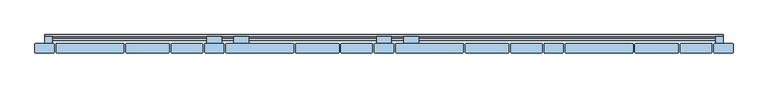
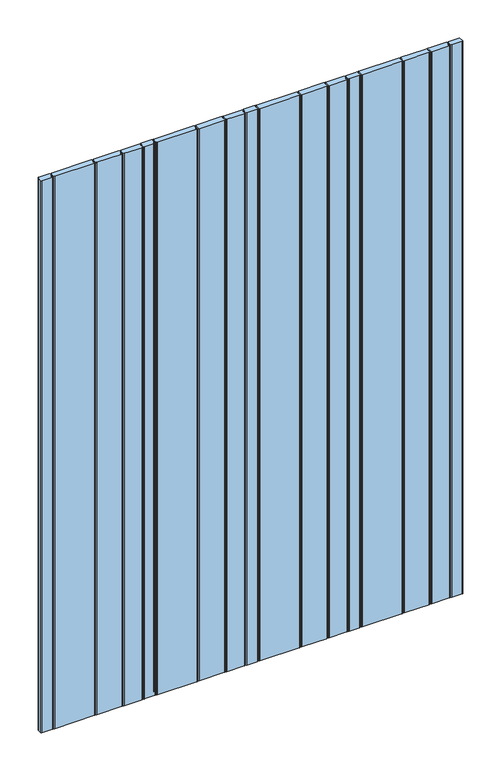
"""IFC4 building model written with IfcOpenShell, lengths in millimetres: window geometry."""

from ifc_helpers import new_model, si_unit, point, frame, frame_2d, origin, place, context, project, spatial, polyline, circle_curve, trimmed, segment, composite_curve, outline, extrude, source, transform, mapped, element, save


def window_69299a8e(model_context):
    return source(origin(), model_context, "Body", "SweptSolid", [
        extrude(outline(polyline([(-112.1, 1677.5936804), (-112.1, 1622.4063196), (-107.9, 1622.4063196), (-107.9, 1626.4063196), (-104.1, 1626.4063196), (-104.1, 1618.5), (-118.0, 1618.5), (-118.0, 1681.5), (-104.1, 1681.5), (-104.1, 1673.5936804), (-107.9, 1673.5936804), (-107.9, 1677.5936804), (-112.1, 1677.5936804)])), frame((-15.5, 0.0, 0.0), z_axis=(1.0, 0.0, 0.0), x_axis=(0.0, 1.0, 0.0)), (0.0, 0.0, 1.0), 31.0),
        extrude(outline(polyline([(-112.1, 1127.5936804), (-112.1, 1072.4063196), (-107.9, 1072.4063196), (-107.9, 1076.4063196), (-104.1, 1076.4063196), (-104.1, 1068.5), (-118.0, 1068.5), (-118.0, 1131.5), (-104.1, 1131.5), (-104.1, 1123.5936804), (-107.9, 1123.5936804), (-107.9, 1127.5936804), (-112.1, 1127.5936804)])), frame((-15.5, 0.0, 0.0), z_axis=(1.0, 0.0, 0.0), x_axis=(0.0, 1.0, 0.0)), (0.0, 0.0, 1.0), 31.0),
        extrude(outline(polyline([(-112.1, 577.5936804), (-112.1, 522.4063196), (-107.9, 522.4063196), (-107.9, 526.4063196), (-104.1, 526.4063196), (-104.1, 518.5), (-118.0, 518.5), (-118.0, 581.5), (-104.1, 581.5), (-104.1, 573.5936804), (-107.9, 573.5936804), (-107.9, 577.5936804), (-112.1, 577.5936804)])), frame((-15.5, 0.0, 0.0), z_axis=(1.0, 0.0, 0.0), x_axis=(0.0, 1.0, 0.0)), (0.0, 0.0, 1.0), 31.0),
        extrude(outline(polyline([(-112.1, 2022.9063196), (-107.9, 2022.9063196), (-107.9, 2026.9063196), (-104.1, 2026.9063196), (-104.1, 2019.0), (-118.0, 2019.0), (-118.0, 2082.0), (-104.1, 2082.0), (-104.1, 2074.0936804), (-107.9, 2074.0936804), (-107.9, 2078.0936804), (-112.1, 2078.0936804), (-112.1, 2022.9063196)])), frame((-15.5, 0.0, 0.0), z_axis=(1.0, 0.0, 0.0), x_axis=(0.0, 1.0, 0.0)), (0.0, 0.0, 1.0), 31.0),
        extrude(outline(polyline([(-112.1, 177.0936804), (-112.1, 121.9063196), (-107.9, 121.9063196), (-107.9, 125.9063196), (-104.1, 125.9063196), (-104.1, 118.0), (-118.0, 118.0), (-118.0, 181.0), (-104.1, 181.0), (-104.1, 173.0936804), (-107.9, 173.0936804), (-107.9, 177.0936804), (-112.1, 177.0936804)])), frame((-15.5, 0.0, 0.0), z_axis=(1.0, 0.0, 0.0), x_axis=(0.0, 1.0, 0.0)), (0.0, 0.0, 1.0), 31.0),
        extrude(outline(polyline([(-112.1, 1677.5936804), (-112.1, 1622.4063196), (-107.9, 1622.4063196), (-107.9, 1626.4063196), (-104.1, 1626.4063196), (-104.1, 1618.5), (-118.0, 1618.5), (-118.0, 1681.5), (-104.1, 1681.5), (-104.1, 1673.5936804), (-107.9, 1673.5936804), (-107.9, 1677.5936804), (-112.1, 1677.5936804)])), frame((-366.5, 0.0, 0.0), z_axis=(1.0, 0.0, 0.0), x_axis=(0.0, 1.0, 0.0)), (0.0, 0.0, 1.0), 31.0),
        extrude(outline(polyline([(-112.1, 1127.5936804), (-112.1, 1072.4063196), (-107.9, 1072.4063196), (-107.9, 1076.4063196), (-104.1, 1076.4063196), (-104.1, 1068.5), (-118.0, 1068.5), (-118.0, 1131.5), (-104.1, 1131.5), (-104.1, 1123.5936804), (-107.9, 1123.5936804), (-107.9, 1127.5936804), (-112.1, 1127.5936804)])), frame((-366.5, 0.0, 0.0), z_axis=(1.0, 0.0, 0.0), x_axis=(0.0, 1.0, 0.0)), (0.0, 0.0, 1.0), 31.0),
        extrude(outline(polyline([(-112.1, 577.5936804), (-112.1, 522.4063196), (-107.9, 522.4063196), (-107.9, 526.4063196), (-104.1, 526.4063196), (-104.1, 518.5), (-118.0, 518.5), (-118.0, 581.5), (-104.1, 581.5), (-104.1, 573.5936804), (-107.9, 573.5936804), (-107.9, 577.5936804), (-112.1, 577.5936804)])), frame((-366.5, 0.0, 0.0), z_axis=(1.0, 0.0, 0.0), x_axis=(0.0, 1.0, 0.0)), (0.0, 0.0, 1.0), 31.0),
        extrude(outline(polyline([(-112.1, 2022.9063196), (-107.9, 2022.9063196), (-107.9, 2026.9063196), (-104.1, 2026.9063196), (-104.1, 2019.0), (-118.0, 2019.0), (-118.0, 2082.0), (-104.1, 2082.0), (-104.1, 2074.0936804), (-107.9, 2074.0936804), (-107.9, 2078.0936804), (-112.1, 2078.0936804), (-112.1, 2022.9063196)])), frame((-366.5, 0.0, 0.0), z_axis=(1.0, 0.0, 0.0), x_axis=(0.0, 1.0, 0.0)), (0.0, 0.0, 1.0), 31.0),
        extrude(outline(polyline([(-112.1, 177.0936804), (-112.1, 121.9063196), (-107.9, 121.9063196), (-107.9, 125.9063196), (-104.1, 125.9063196), (-104.1, 118.0), (-118.0, 118.0), (-118.0, 181.0), (-104.1, 181.0), (-104.1, 173.0936804), (-107.9, 173.0936804), (-107.9, 177.0936804), (-112.1, 177.0936804)])), frame((-366.5, 0.0, 0.0), z_axis=(1.0, 0.0, 0.0), x_axis=(0.0, 1.0, 0.0)), (0.0, 0.0, 1.0), 31.0),
        extrude(outline(polyline([(-112.1, 1677.5936804), (-112.1, 1622.4063196), (-107.9, 1622.4063196), (-107.9, 1626.4063196), (-104.1, 1626.4063196), (-104.1, 1618.5), (-118.0, 1618.5), (-118.0, 1681.5), (-104.1, 1681.5), (-104.1, 1673.5936804), (-107.9, 1673.5936804), (-107.9, 1677.5936804), (-112.1, 1677.5936804)])), frame((40.5, 0.0, 0.0), z_axis=(1.0, 0.0, 0.0), x_axis=(0.0, 1.0, 0.0)), (0.0, 0.0, 1.0), 31.0),
        extrude(outline(polyline([(-112.1, 1127.5936804), (-112.1, 1072.4063196), (-107.9, 1072.4063196), (-107.9, 1076.4063196), (-104.1, 1076.4063196), (-104.1, 1068.5), (-118.0, 1068.5), (-118.0, 1131.5), (-104.1, 1131.5), (-104.1, 1123.5936804), (-107.9, 1123.5936804), (-107.9, 1127.5936804), (-112.1, 1127.5936804)])), frame((40.5, 0.0, 0.0), z_axis=(1.0, 0.0, 0.0), x_axis=(0.0, 1.0, 0.0)), (0.0, 0.0, 1.0), 31.0),
        extrude(outline(polyline([(-112.1, 577.5936804), (-112.1, 522.4063196), (-107.9, 522.4063196), (-107.9, 526.4063196), (-104.1, 526.4063196), (-104.1, 518.5), (-118.0, 518.5), (-118.0, 581.5), (-104.1, 581.5), (-104.1, 573.5936804), (-107.9, 573.5936804), (-107.9, 577.5936804), (-112.1, 577.5936804)])), frame((40.5, 0.0, 0.0), z_axis=(1.0, 0.0, 0.0), x_axis=(0.0, 1.0, 0.0)), (0.0, 0.0, 1.0), 31.0),
        extrude(outline(polyline([(-112.1, 2022.9063196), (-107.9, 2022.9063196), (-107.9, 2026.9063196), (-104.1, 2026.9063196), (-104.1, 2019.0), (-118.0, 2019.0), (-118.0, 2082.0), (-104.1, 2082.0), (-104.1, 2074.0936804), (-107.9, 2074.0936804), (-107.9, 2078.0936804), (-112.1, 2078.0936804), (-112.1, 2022.9063196)])), frame((40.5, 0.0, 0.0), z_axis=(1.0, 0.0, 0.0), x_axis=(0.0, 1.0, 0.0)), (0.0, 0.0, 1.0), 31.0),
        extrude(outline(polyline([(-112.1, 177.0936804), (-112.1, 121.9063196), (-107.9, 121.9063196), (-107.9, 125.9063196), (-104.1, 125.9063196), (-104.1, 118.0), (-118.0, 118.0), (-118.0, 181.0), (-104.1, 181.0), (-104.1, 173.0936804), (-107.9, 173.0936804), (-107.9, 177.0936804), (-112.1, 177.0936804)])), frame((40.5, 0.0, 0.0), z_axis=(1.0, 0.0, 0.0), x_axis=(0.0, 1.0, 0.0)), (0.0, 0.0, 1.0), 31.0),
        extrude(outline(polyline([(-112.1, 1677.5936804), (-112.1, 1622.4063196), (-107.9, 1622.4063196), (-107.9, 1626.4063196), (-104.1, 1626.4063196), (-104.1, 1618.5), (-118.0, 1618.5), (-118.0, 1681.5), (-104.1, 1681.5), (-104.1, 1673.5936804), (-107.9, 1673.5936804), (-107.9, 1677.5936804), (-112.1, 1677.5936804)])), frame((-310.5, 0.0, 0.0), z_axis=(1.0, 0.0, 0.0), x_axis=(0.0, 1.0, 0.0)), (0.0, 0.0, 1.0), 31.0),
        extrude(outline(polyline([(-112.1, 1127.5936804), (-112.1, 1072.4063196), (-107.9, 1072.4063196), (-107.9, 1076.4063196), (-104.1, 1076.4063196), (-104.1, 1068.5), (-118.0, 1068.5), (-118.0, 1131.5), (-104.1, 1131.5), (-104.1, 1123.5936804), (-107.9, 1123.5936804), (-107.9, 1127.5936804), (-112.1, 1127.5936804)])), frame((-310.5, 0.0, 0.0), z_axis=(1.0, 0.0, 0.0), x_axis=(0.0, 1.0, 0.0)), (0.0, 0.0, 1.0), 31.0),
        extrude(outline(polyline([(-112.1, 577.5936804), (-112.1, 522.4063196), (-107.9, 522.4063196), (-107.9, 526.4063196), (-104.1, 526.4063196), (-104.1, 518.5), (-118.0, 518.5), (-118.0, 581.5), (-104.1, 581.5), (-104.1, 573.5936804), (-107.9, 573.5936804), (-107.9, 577.5936804), (-112.1, 577.5936804)])), frame((-310.5, 0.0, 0.0), z_axis=(1.0, 0.0, 0.0), x_axis=(0.0, 1.0, 0.0)), (0.0, 0.0, 1.0), 31.0),
        extrude(outline(polyline([(-112.1, 2022.9063196), (-107.9, 2022.9063196), (-107.9, 2026.9063196), (-104.1, 2026.9063196), (-104.1, 2019.0), (-118.0, 2019.0), (-118.0, 2082.0), (-104.1, 2082.0), (-104.1, 2074.0936804), (-107.9, 2074.0936804), (-107.9, 2078.0936804), (-112.1, 2078.0936804), (-112.1, 2022.9063196)])), frame((-310.5, 0.0, 0.0), z_axis=(1.0, 0.0, 0.0), x_axis=(0.0, 1.0, 0.0)), (0.0, 0.0, 1.0), 31.0),
        extrude(outline(polyline([(-112.1, 177.0936804), (-112.1, 121.9063196), (-107.9, 121.9063196), (-107.9, 125.9063196), (-104.1, 125.9063196), (-104.1, 118.0), (-118.0, 118.0), (-118.0, 181.0), (-104.1, 181.0), (-104.1, 173.0936804), (-107.9, 173.0936804), (-107.9, 177.0936804), (-112.1, 177.0936804)])), frame((-310.5, 0.0, 0.0), z_axis=(1.0, 0.0, 0.0), x_axis=(0.0, 1.0, 0.0)), (0.0, 0.0, 1.0), 31.0),
        extrude(outline(polyline([(-112.1, 1622.4063196), (-107.9, 1622.4063196), (-107.9, 1626.4063196), (-104.1, 1626.4063196), (-104.1, 1618.5), (-118.0, 1618.5), (-118.0, 1681.5), (-104.1, 1681.5), (-104.1, 1673.5936804), (-107.9, 1673.5936804), (-107.9, 1677.5936804), (-112.1, 1677.5936804), (-112.1, 1622.4063196)])), frame((686.5, 0.0, 0.0), z_axis=(1.0, 0.0, 0.0), x_axis=(0.0, 1.0, 0.0)), (0.0, 0.0, 1.0), 15.5),
        extrude(outline(polyline([(-112.1, 1072.4063196), (-107.9, 1072.4063196), (-107.9, 1076.4063196), (-104.1, 1076.4063196), (-104.1, 1068.5), (-118.0, 1068.5), (-118.0, 1131.5), (-104.1, 1131.5), (-104.1, 1123.5936804), (-107.9, 1123.5936804), (-107.9, 1127.5936804), (-112.1, 1127.5936804), (-112.1, 1072.4063196)])), frame((686.5, 0.0, 0.0), z_axis=(1.0, 0.0, 0.0), x_axis=(0.0, 1.0, 0.0)), (0.0, 0.0, 1.0), 15.5),
        extrude(outline(polyline([(-112.1, 522.4063196), (-107.9, 522.4063196), (-107.9, 526.4063196), (-104.1, 526.4063196), (-104.1, 518.5), (-118.0, 518.5), (-118.0, 581.5), (-104.1, 581.5), (-104.1, 573.5936804), (-107.9, 573.5936804), (-107.9, 577.5936804), (-112.1, 577.5936804), (-112.1, 522.4063196)])), frame((686.5, 0.0, 0.0), z_axis=(1.0, 0.0, 0.0), x_axis=(0.0, 1.0, 0.0)), (0.0, 0.0, 1.0), 15.5),
        extrude(outline(polyline([(-112.1, 2022.9063196), (-107.9, 2022.9063196), (-107.9, 2026.9063196), (-104.1, 2026.9063196), (-104.1, 2019.0), (-118.0, 2019.0), (-118.0, 2082.0), (-104.1, 2082.0), (-104.1, 2074.0936804), (-107.9, 2074.0936804), (-107.9, 2078.0936804), (-112.1, 2078.0936804), (-112.1, 2022.9063196)])), frame((686.5, 0.0, 0.0), z_axis=(1.0, 0.0, 0.0), x_axis=(0.0, 1.0, 0.0)), (0.0, 0.0, 1.0), 15.5),
        extrude(outline(polyline([(-112.1, 177.0936804), (-112.1, 121.9063196), (-107.9, 121.9063196), (-107.9, 125.9063196), (-104.1, 125.9063196), (-104.1, 118.0), (-118.0, 118.0), (-118.0, 181.0), (-104.1, 181.0), (-104.1, 173.0936804), (-107.9, 173.0936804), (-107.9, 177.0936804), (-112.1, 177.0936804)])), frame((686.5, 0.0, 0.0), z_axis=(1.0, 0.0, 0.0), x_axis=(0.0, 1.0, 0.0)), (0.0, 0.0, 1.0), 15.5),
        extrude(outline(polyline([(-112.1, 1622.4063196), (-107.9, 1622.4063196), (-107.9, 1626.4063196), (-104.1, 1626.4063196), (-104.1, 1618.5), (-118.0, 1618.5), (-118.0, 1681.5), (-104.1, 1681.5), (-104.1, 1673.5936804), (-107.9, 1673.5936804), (-107.9, 1677.5936804), (-112.1, 1677.5936804), (-112.1, 1622.4063196)])), frame((-702.0, 0.0, 0.0), z_axis=(1.0, 0.0, 0.0), x_axis=(0.0, 1.0, 0.0)), (0.0, 0.0, 1.0), 15.5),
        extrude(outline(polyline([(-112.1, 1072.4063196), (-107.9, 1072.4063196), (-107.9, 1076.4063196), (-104.1, 1076.4063196), (-104.1, 1068.5), (-118.0, 1068.5), (-118.0, 1131.5), (-104.1, 1131.5), (-104.1, 1123.5936804), (-107.9, 1123.5936804), (-107.9, 1127.5936804), (-112.1, 1127.5936804), (-112.1, 1072.4063196)])), frame((-702.0, 0.0, 0.0), z_axis=(1.0, 0.0, 0.0), x_axis=(0.0, 1.0, 0.0)), (0.0, 0.0, 1.0), 15.5),
        extrude(outline(polyline([(-112.1, 522.4063196), (-107.9, 522.4063196), (-107.9, 526.4063196), (-104.1, 526.4063196), (-104.1, 518.5), (-118.0, 518.5), (-118.0, 581.5), (-104.1, 581.5), (-104.1, 573.5936804), (-107.9, 573.5936804), (-107.9, 577.5936804), (-112.1, 577.5936804), (-112.1, 522.4063196)])), frame((-702.0, 0.0, 0.0), z_axis=(1.0, 0.0, 0.0), x_axis=(0.0, 1.0, 0.0)), (0.0, 0.0, 1.0), 15.5),
        extrude(outline(polyline([(-112.1, 2022.9063196), (-107.9, 2022.9063196), (-107.9, 2026.9063196), (-104.1, 2026.9063196), (-104.1, 2019.0), (-118.0, 2019.0), (-118.0, 2082.0), (-104.1, 2082.0), (-104.1, 2074.0936804), (-107.9, 2074.0936804), (-107.9, 2078.0936804), (-112.1, 2078.0936804), (-112.1, 2022.9063196)])), frame((-702.0, 0.0, 0.0), z_axis=(1.0, 0.0, 0.0), x_axis=(0.0, 1.0, 0.0)), (0.0, 0.0, 1.0), 15.5),
        extrude(outline(polyline([(-112.1, 177.0936804), (-112.1, 121.9063196), (-107.9, 121.9063196), (-107.9, 125.9063196), (-104.1, 125.9063196), (-104.1, 118.0), (-118.0, 118.0), (-118.0, 181.0), (-104.1, 181.0), (-104.1, 173.0936804), (-107.9, 173.0936804), (-107.9, 177.0936804), (-112.1, 177.0936804)])), frame((-702.0, 0.0, 0.0), z_axis=(1.0, 0.0, 0.0), x_axis=(0.0, 1.0, 0.0)), (0.0, 0.0, 1.0), 15.5),
        extrude(outline(polyline([(-100.0, 1677.5063196), (-100.0, 1622.5063196), (-104.0, 1622.5063196), (-104.0, 1626.5063196), (-108.0, 1626.5063196), (-108.0, 1622.5063196), (-112.0, 1622.5063196), (-112.0, 1627.5063196), (-109.0, 1627.5063196), (-109.0, 1632.5063196), (-112.0, 1632.5063196), (-112.0, 1645.0063196), (-109.0, 1645.0063196), (-109.0, 1655.0063196), (-112.0, 1655.0063196), (-112.0, 1667.5063196), (-109.0, 1667.5063196), (-109.0, 1672.5063196), (-112.0, 1672.5063196), (-112.0, 1677.5063196), (-108.0, 1677.5063196), (-108.0, 1673.5063196), (-104.0, 1673.5063196), (-104.0, 1677.5063196), (-100.0, 1677.5063196)])), frame((-702.0, 0.0, 0.0), z_axis=(1.0, 0.0, 0.0), x_axis=(0.0, 1.0, 0.0)), (0.0, 0.0, 1.0), 1404.0),
        extrude(outline(polyline([(-100.0, 1127.5063196), (-100.0, 1072.5063196), (-104.0, 1072.5063196), (-104.0, 1076.5063196), (-108.0, 1076.5063196), (-108.0, 1072.5063196), (-112.0, 1072.5063196), (-112.0, 1077.5063196), (-109.0, 1077.5063196), (-109.0, 1082.5063196), (-112.0, 1082.5063196), (-112.0, 1095.0063196), (-109.0, 1095.0063196), (-109.0, 1105.0063196), (-112.0, 1105.0063196), (-112.0, 1117.5063196), (-109.0, 1117.5063196), (-109.0, 1122.5063196), (-112.0, 1122.5063196), (-112.0, 1127.5063196), (-108.0, 1127.5063196), (-108.0, 1123.5063196), (-104.0, 1123.5063196), (-104.0, 1127.5063196), (-100.0, 1127.5063196)])), frame((-702.0, 0.0, 0.0), z_axis=(1.0, 0.0, 0.0), x_axis=(0.0, 1.0, 0.0)), (0.0, 0.0, 1.0), 1404.0),
        extrude(outline(polyline([(-100.0, 577.5063196), (-100.0, 522.5063196), (-104.0, 522.5063196), (-104.0, 526.5063196), (-108.0, 526.5063196), (-108.0, 522.5063196), (-112.0, 522.5063196), (-112.0, 527.5063196), (-109.0, 527.5063196), (-109.0, 532.5063196), (-112.0, 532.5063196), (-112.0, 545.0063196), (-109.0, 545.0063196), (-109.0, 555.0063196), (-112.0, 555.0063196), (-112.0, 567.5063196), (-109.0, 567.5063196), (-109.0, 572.5063196), (-112.0, 572.5063196), (-112.0, 577.5063196), (-108.0, 577.5063196), (-108.0, 573.5063196), (-104.0, 573.5063196), (-104.0, 577.5063196), (-100.0, 577.5063196)])), frame((-702.0, 0.0, 0.0), z_axis=(1.0, 0.0, 0.0), x_axis=(0.0, 1.0, 0.0)), (0.0, 0.0, 1.0), 1404.0),
        extrude(outline(polyline([(-100.0, 2078.0), (-100.0, 2023.0), (-104.0, 2023.0), (-104.0, 2027.0), (-108.0, 2027.0), (-108.0, 2023.0), (-112.0, 2023.0), (-112.0, 2028.0), (-109.0, 2028.0), (-109.0, 2033.0), (-112.0, 2033.0), (-112.0, 2045.5), (-109.0, 2045.5), (-109.0, 2055.5), (-112.0, 2055.5), (-112.0, 2068.0), (-109.0, 2068.0), (-109.0, 2073.0), (-112.0, 2073.0), (-112.0, 2078.0), (-108.0, 2078.0), (-108.0, 2074.0), (-104.0, 2074.0), (-104.0, 2078.0), (-100.0, 2078.0)])), frame((-702.0, 0.0, 0.0), z_axis=(1.0, 0.0, 0.0), x_axis=(0.0, 1.0, 0.0)), (0.0, 0.0, 1.0), 1404.0),
        extrude(outline(polyline([(-100.0, 177.0), (-100.0, 122.0), (-104.0, 122.0), (-104.0, 126.0), (-108.0, 126.0), (-108.0, 122.0), (-112.0, 122.0), (-112.0, 127.0), (-109.0, 127.0), (-109.0, 132.0), (-112.0, 132.0), (-112.0, 144.5), (-109.0, 144.5), (-109.0, 154.5), (-112.0, 154.5), (-112.0, 167.0), (-109.0, 167.0), (-109.0, 172.0), (-112.0, 172.0), (-112.0, 177.0), (-108.0, 177.0), (-108.0, 173.0), (-104.0, 173.0), (-104.0, 177.0), (-100.0, 177.0)])), frame((-702.0, 0.0, 0.0), z_axis=(1.0, 0.0, 0.0), x_axis=(0.0, 1.0, 0.0)), (0.0, 0.0, 1.0), 1404.0),
        extrude(outline(composite_curve([segment(trimmed(circle_curve(frame_2d((333.0, -120.0)), 2.0), [point((331.0, -120.0))], [point((333.0, -118.0))], False, "CARTESIAN"), True, "CONTINUOUS"), segment(polyline([(333.0, -118.0), (369.0, -118.0)]), True, "CONTINUOUS"), segment(trimmed(circle_curve(frame_2d((369.0, -120.0)), 2.0), [point((369.0, -118.0))], [point((371.0, -120.0))], False, "CARTESIAN"), True, "CONTINUOUS"), segment(polyline([(371.0, -120.0), (371.0, -136.0)]), True, "CONTINUOUS"), segment(trimmed(circle_curve(frame_2d((369.0, -136.0)), 2.0), [point((371.0, -136.0))], [point((369.0, -138.0))], False, "CARTESIAN"), True, "CONTINUOUS"), segment(polyline([(369.0, -138.0), (333.0, -138.0)]), True, "CONTINUOUS"), segment(trimmed(circle_curve(frame_2d((333.0, -136.0)), 2.0), [point((333.0, -138.0))], [point((331.0, -136.0))], False, "CARTESIAN"), True, "CONTINUOUS"), segment(polyline([(331.0, -136.0), (331.0, -120.0)]), True, "CONTINUOUS")], self_intersect=False)), frame((0.0, 0.0, 100.0), z_axis=(0.0, 0.0, 1.0), x_axis=(1.0, 0.0, 0.0)), (0.0, 0.0, 1.0), 2000.0),
        extrude(outline(composite_curve([segment(trimmed(circle_curve(frame_2d((377.0, -120.0)), 2.0), [point((375.0, -120.0))], [point((377.0, -118.0))], False, "CARTESIAN"), True, "CONTINUOUS"), segment(polyline([(377.0, -118.0), (513.0, -118.0)]), True, "CONTINUOUS"), segment(trimmed(circle_curve(frame_2d((513.0, -120.0)), 2.0), [point((513.0, -118.0))], [point((515.0, -120.0))], False, "CARTESIAN"), True, "CONTINUOUS"), segment(polyline([(515.0, -120.0), (515.0, -136.0)]), True, "CONTINUOUS"), segment(trimmed(circle_curve(frame_2d((513.0, -136.0)), 2.0), [point((515.0, -136.0))], [point((513.0, -138.0))], False, "CARTESIAN"), True, "CONTINUOUS"), segment(polyline([(513.0, -138.0), (377.0, -138.0)]), True, "CONTINUOUS"), segment(trimmed(circle_curve(frame_2d((377.0, -136.0)), 2.0), [point((377.0, -138.0))], [point((375.0, -136.0))], False, "CARTESIAN"), True, "CONTINUOUS"), segment(polyline([(375.0, -136.0), (375.0, -120.0)]), True, "CONTINUOUS")], self_intersect=False)), frame((0.0, 0.0, 100.0), z_axis=(0.0, 0.0, 1.0), x_axis=(1.0, 0.0, 0.0)), (0.0, 0.0, 1.0), 2000.0),
        extrude(outline(composite_curve([segment(trimmed(circle_curve(frame_2d((521.0, -120.0)), 2.0), [point((519.0, -120.0))], [point((521.0, -118.0))], False, "CARTESIAN"), True, "CONTINUOUS"), segment(polyline([(521.0, -118.0), (607.0, -118.0)]), True, "CONTINUOUS"), segment(trimmed(circle_curve(frame_2d((607.0, -120.0)), 2.0), [point((607.0, -118.0))], [point((609.0, -120.0))], False, "CARTESIAN"), True, "CONTINUOUS"), segment(polyline([(609.0, -120.0), (609.0, -136.0)]), True, "CONTINUOUS"), segment(trimmed(circle_curve(frame_2d((607.0, -136.0)), 2.0), [point((609.0, -136.0))], [point((607.0, -138.0))], False, "CARTESIAN"), True, "CONTINUOUS"), segment(polyline([(607.0, -138.0), (521.0, -138.0)]), True, "CONTINUOUS"), segment(trimmed(circle_curve(frame_2d((521.0, -136.0)), 2.0), [point((521.0, -138.0))], [point((519.0, -136.0))], False, "CARTESIAN"), True, "CONTINUOUS"), segment(polyline([(519.0, -136.0), (519.0, -120.0)]), True, "CONTINUOUS")], self_intersect=False)), frame((0.0, 0.0, 100.0), z_axis=(0.0, 0.0, 1.0), x_axis=(1.0, 0.0, 0.0)), (0.0, 0.0, 1.0), 2000.0),
        extrude(outline(composite_curve([segment(trimmed(circle_curve(frame_2d((615.0, -120.0)), 2.0), [point((613.0, -120.0))], [point((615.0, -118.0))], False, "CARTESIAN"), True, "CONTINUOUS"), segment(polyline([(615.0, -118.0), (676.0, -118.0)]), True, "CONTINUOUS"), segment(trimmed(circle_curve(frame_2d((676.0, -120.0)), 2.0), [point((676.0, -118.0))], [point((678.0, -120.0))], False, "CARTESIAN"), True, "CONTINUOUS"), segment(polyline([(678.0, -120.0), (678.0, -136.0)]), True, "CONTINUOUS"), segment(trimmed(circle_curve(frame_2d((676.0, -136.0)), 2.0), [point((678.0, -136.0))], [point((676.0, -138.0))], False, "CARTESIAN"), True, "CONTINUOUS"), segment(polyline([(676.0, -138.0), (615.0, -138.0)]), True, "CONTINUOUS"), segment(trimmed(circle_curve(frame_2d((615.0, -136.0)), 2.0), [point((615.0, -138.0))], [point((613.0, -136.0))], False, "CARTESIAN"), True, "CONTINUOUS"), segment(polyline([(613.0, -136.0), (613.0, -120.0)]), True, "CONTINUOUS")], self_intersect=False)), frame((0.0, 0.0, 100.0), z_axis=(0.0, 0.0, 1.0), x_axis=(1.0, 0.0, 0.0)), (0.0, 0.0, 1.0), 2000.0),
        extrude(outline(composite_curve([segment(trimmed(circle_curve(frame_2d((-18.0, -120.0)), 2.0), [point((-20.0, -120.0))], [point((-18.0, -118.0))], False, "CARTESIAN"), True, "CONTINUOUS"), segment(polyline([(-18.0, -118.0), (18.0, -118.0)]), True, "CONTINUOUS"), segment(trimmed(circle_curve(frame_2d((18.0, -120.0)), 2.0), [point((18.0, -118.0))], [point((20.0, -120.0))], False, "CARTESIAN"), True, "CONTINUOUS"), segment(polyline([(20.0, -120.0), (20.0, -136.0)]), True, "CONTINUOUS"), segment(trimmed(circle_curve(frame_2d((18.0, -136.0)), 2.0), [point((20.0, -136.0))], [point((18.0, -138.0))], False, "CARTESIAN"), True, "CONTINUOUS"), segment(polyline([(18.0, -138.0), (-18.0, -138.0)]), True, "CONTINUOUS"), segment(trimmed(circle_curve(frame_2d((-18.0, -136.0)), 2.0), [point((-18.0, -138.0))], [point((-20.0, -136.0))], False, "CARTESIAN"), True, "CONTINUOUS"), segment(polyline([(-20.0, -136.0), (-20.0, -120.0)]), True, "CONTINUOUS")], self_intersect=False)), frame((0.0, 0.0, 100.0), z_axis=(0.0, 0.0, 1.0), x_axis=(1.0, 0.0, 0.0)), (0.0, 0.0, 1.0), 2000.0),
        extrude(outline(composite_curve([segment(trimmed(circle_curve(frame_2d((26.0, -120.0)), 2.0), [point((24.0, -120.0))], [point((26.0, -118.0))], False, "CARTESIAN"), True, "CONTINUOUS"), segment(polyline([(26.0, -118.0), (162.0, -118.0)]), True, "CONTINUOUS"), segment(trimmed(circle_curve(frame_2d((162.0, -120.0)), 2.0), [point((162.0, -118.0))], [point((164.0, -120.0))], False, "CARTESIAN"), True, "CONTINUOUS"), segment(polyline([(164.0, -120.0), (164.0, -136.0)]), True, "CONTINUOUS"), segment(trimmed(circle_curve(frame_2d((162.0, -136.0)), 2.0), [point((164.0, -136.0))], [point((162.0, -138.0))], False, "CARTESIAN"), True, "CONTINUOUS"), segment(polyline([(162.0, -138.0), (26.0, -138.0)]), True, "CONTINUOUS"), segment(trimmed(circle_curve(frame_2d((26.0, -136.0)), 2.0), [point((26.0, -138.0))], [point((24.0, -136.0))], False, "CARTESIAN"), True, "CONTINUOUS"), segment(polyline([(24.0, -136.0), (24.0, -120.0)]), True, "CONTINUOUS")], self_intersect=False)), frame((0.0, 0.0, 100.0), z_axis=(0.0, 0.0, 1.0), x_axis=(1.0, 0.0, 0.0)), (0.0, 0.0, 1.0), 2000.0),
        extrude(outline(composite_curve([segment(trimmed(circle_curve(frame_2d((170.0, -120.0)), 2.0), [point((168.0, -120.0))], [point((170.0, -118.0))], False, "CARTESIAN"), True, "CONTINUOUS"), segment(polyline([(170.0, -118.0), (256.0, -118.0)]), True, "CONTINUOUS"), segment(trimmed(circle_curve(frame_2d((256.0, -120.0)), 2.0), [point((256.0, -118.0))], [point((258.0, -120.0))], False, "CARTESIAN"), True, "CONTINUOUS"), segment(polyline([(258.0, -120.0), (258.0, -136.0)]), True, "CONTINUOUS"), segment(trimmed(circle_curve(frame_2d((256.0, -136.0)), 2.0), [point((258.0, -136.0))], [point((256.0, -138.0))], False, "CARTESIAN"), True, "CONTINUOUS"), segment(polyline([(256.0, -138.0), (170.0, -138.0)]), True, "CONTINUOUS"), segment(trimmed(circle_curve(frame_2d((170.0, -136.0)), 2.0), [point((170.0, -138.0))], [point((168.0, -136.0))], False, "CARTESIAN"), True, "CONTINUOUS"), segment(polyline([(168.0, -136.0), (168.0, -120.0)]), True, "CONTINUOUS")], self_intersect=False)), frame((0.0, 0.0, 100.0), z_axis=(0.0, 0.0, 1.0), x_axis=(1.0, 0.0, 0.0)), (0.0, 0.0, 1.0), 2000.0),
        extrude(outline(composite_curve([segment(trimmed(circle_curve(frame_2d((264.0, -120.0)), 2.0), [point((262.0, -120.0))], [point((264.0, -118.0))], False, "CARTESIAN"), True, "CONTINUOUS"), segment(polyline([(264.0, -118.0), (325.0, -118.0)]), True, "CONTINUOUS"), segment(trimmed(circle_curve(frame_2d((325.0, -120.0)), 2.0), [point((325.0, -118.0))], [point((327.0, -120.0))], False, "CARTESIAN"), True, "CONTINUOUS"), segment(polyline([(327.0, -120.0), (327.0, -136.0)]), True, "CONTINUOUS"), segment(trimmed(circle_curve(frame_2d((325.0, -136.0)), 2.0), [point((327.0, -136.0))], [point((325.0, -138.0))], False, "CARTESIAN"), True, "CONTINUOUS"), segment(polyline([(325.0, -138.0), (264.0, -138.0)]), True, "CONTINUOUS"), segment(trimmed(circle_curve(frame_2d((264.0, -136.0)), 2.0), [point((264.0, -138.0))], [point((262.0, -136.0))], False, "CARTESIAN"), True, "CONTINUOUS"), segment(polyline([(262.0, -136.0), (262.0, -120.0)]), True, "CONTINUOUS")], self_intersect=False)), frame((0.0, 0.0, 100.0), z_axis=(0.0, 0.0, 1.0), x_axis=(1.0, 0.0, 0.0)), (0.0, 0.0, 1.0), 2000.0),
        extrude(outline(composite_curve([segment(trimmed(circle_curve(frame_2d((-369.0, -120.0)), 2.0), [point((-371.0, -120.0))], [point((-369.0, -118.0))], False, "CARTESIAN"), True, "CONTINUOUS"), segment(polyline([(-369.0, -118.0), (-333.0, -118.0)]), True, "CONTINUOUS"), segment(trimmed(circle_curve(frame_2d((-333.0, -120.0)), 2.0), [point((-333.0, -118.0))], [point((-331.0, -120.0))], False, "CARTESIAN"), True, "CONTINUOUS"), segment(polyline([(-331.0, -120.0), (-331.0, -136.0)]), True, "CONTINUOUS"), segment(trimmed(circle_curve(frame_2d((-333.0, -136.0)), 2.0), [point((-331.0, -136.0))], [point((-333.0, -138.0))], False, "CARTESIAN"), True, "CONTINUOUS"), segment(polyline([(-333.0, -138.0), (-369.0, -138.0)]), True, "CONTINUOUS"), segment(trimmed(circle_curve(frame_2d((-369.0, -136.0)), 2.0), [point((-369.0, -138.0))], [point((-371.0, -136.0))], False, "CARTESIAN"), True, "CONTINUOUS"), segment(polyline([(-371.0, -136.0), (-371.0, -120.0)]), True, "CONTINUOUS")], self_intersect=False)), frame((0.0, 0.0, 100.0), z_axis=(0.0, 0.0, 1.0), x_axis=(1.0, 0.0, 0.0)), (0.0, 0.0, 1.0), 2000.0),
        extrude(outline(composite_curve([segment(trimmed(circle_curve(frame_2d((-325.0, -120.0)), 2.0), [point((-327.0, -120.0))], [point((-325.0, -118.0))], False, "CARTESIAN"), True, "CONTINUOUS"), segment(polyline([(-325.0, -118.0), (-189.0, -118.0)]), True, "CONTINUOUS"), segment(trimmed(circle_curve(frame_2d((-189.0, -120.0)), 2.0), [point((-189.0, -118.0))], [point((-187.0, -120.0))], False, "CARTESIAN"), True, "CONTINUOUS"), segment(polyline([(-187.0, -120.0), (-187.0, -136.0)]), True, "CONTINUOUS"), segment(trimmed(circle_curve(frame_2d((-189.0, -136.0)), 2.0), [point((-187.0, -136.0))], [point((-189.0, -138.0))], False, "CARTESIAN"), True, "CONTINUOUS"), segment(polyline([(-189.0, -138.0), (-325.0, -138.0)]), True, "CONTINUOUS"), segment(trimmed(circle_curve(frame_2d((-325.0, -136.0)), 2.0), [point((-325.0, -138.0))], [point((-327.0, -136.0))], False, "CARTESIAN"), True, "CONTINUOUS"), segment(polyline([(-327.0, -136.0), (-327.0, -120.0)]), True, "CONTINUOUS")], self_intersect=False)), frame((0.0, 0.0, 100.0), z_axis=(0.0, 0.0, 1.0), x_axis=(1.0, 0.0, 0.0)), (0.0, 0.0, 1.0), 2000.0),
        extrude(outline(composite_curve([segment(trimmed(circle_curve(frame_2d((-181.0, -120.0)), 2.0), [point((-183.0, -120.0))], [point((-181.0, -118.0))], False, "CARTESIAN"), True, "CONTINUOUS"), segment(polyline([(-181.0, -118.0), (-95.0, -118.0)]), True, "CONTINUOUS"), segment(trimmed(circle_curve(frame_2d((-95.0, -120.0)), 2.0), [point((-95.0, -118.0))], [point((-93.0, -120.0))], False, "CARTESIAN"), True, "CONTINUOUS"), segment(polyline([(-93.0, -120.0), (-93.0, -136.0)]), True, "CONTINUOUS"), segment(trimmed(circle_curve(frame_2d((-95.0, -136.0)), 2.0), [point((-93.0, -136.0))], [point((-95.0, -138.0))], False, "CARTESIAN"), True, "CONTINUOUS"), segment(polyline([(-95.0, -138.0), (-181.0, -138.0)]), True, "CONTINUOUS"), segment(trimmed(circle_curve(frame_2d((-181.0, -136.0)), 2.0), [point((-181.0, -138.0))], [point((-183.0, -136.0))], False, "CARTESIAN"), True, "CONTINUOUS"), segment(polyline([(-183.0, -136.0), (-183.0, -120.0)]), True, "CONTINUOUS")], self_intersect=False)), frame((0.0, 0.0, 100.0), z_axis=(0.0, 0.0, 1.0), x_axis=(1.0, 0.0, 0.0)), (0.0, 0.0, 1.0), 2000.0),
        extrude(outline(composite_curve([segment(trimmed(circle_curve(frame_2d((-87.0, -120.0)), 2.0), [point((-89.0, -120.0))], [point((-87.0, -118.0))], False, "CARTESIAN"), True, "CONTINUOUS"), segment(polyline([(-87.0, -118.0), (-26.0, -118.0)]), True, "CONTINUOUS"), segment(trimmed(circle_curve(frame_2d((-26.0, -120.0)), 2.0), [point((-26.0, -118.0))], [point((-24.0, -120.0))], False, "CARTESIAN"), True, "CONTINUOUS"), segment(polyline([(-24.0, -120.0), (-24.0, -136.0)]), True, "CONTINUOUS"), segment(trimmed(circle_curve(frame_2d((-26.0, -136.0)), 2.0), [point((-24.0, -136.0))], [point((-26.0, -138.0))], False, "CARTESIAN"), True, "CONTINUOUS"), segment(polyline([(-26.0, -138.0), (-87.0, -138.0)]), True, "CONTINUOUS"), segment(trimmed(circle_curve(frame_2d((-87.0, -136.0)), 2.0), [point((-87.0, -138.0))], [point((-89.0, -136.0))], False, "CARTESIAN"), True, "CONTINUOUS"), segment(polyline([(-89.0, -136.0), (-89.0, -120.0)]), True, "CONTINUOUS")], self_intersect=False)), frame((0.0, 0.0, 100.0), z_axis=(0.0, 0.0, 1.0), x_axis=(1.0, 0.0, 0.0)), (0.0, 0.0, 1.0), 2000.0),
        extrude(outline(composite_curve([segment(trimmed(circle_curve(frame_2d((684.0, -120.0)), 2.0), [point((682.0, -120.0))], [point((684.0, -118.0))], False, "CARTESIAN"), True, "CONTINUOUS"), segment(polyline([(684.0, -118.0), (720.0, -118.0)]), True, "CONTINUOUS"), segment(trimmed(circle_curve(frame_2d((720.0, -120.0)), 2.0), [point((720.0, -118.0))], [point((722.0, -120.0))], False, "CARTESIAN"), True, "CONTINUOUS"), segment(polyline([(722.0, -120.0), (722.0, -136.0)]), True, "CONTINUOUS"), segment(trimmed(circle_curve(frame_2d((720.0, -136.0)), 2.0), [point((722.0, -136.0))], [point((720.0, -138.0))], False, "CARTESIAN"), True, "CONTINUOUS"), segment(polyline([(720.0, -138.0), (684.0, -138.0)]), True, "CONTINUOUS"), segment(trimmed(circle_curve(frame_2d((684.0, -136.0)), 2.0), [point((684.0, -138.0))], [point((682.0, -136.0))], False, "CARTESIAN"), True, "CONTINUOUS"), segment(polyline([(682.0, -136.0), (682.0, -120.0)]), True, "CONTINUOUS")], self_intersect=False)), frame((0.0, 0.0, 100.0), z_axis=(0.0, 0.0, 1.0), x_axis=(1.0, 0.0, 0.0)), (0.0, 0.0, 1.0), 2000.0),
        extrude(outline(composite_curve([segment(trimmed(circle_curve(frame_2d((-720.0, -120.0)), 2.0), [point((-722.0, -120.0))], [point((-720.0, -118.0))], False, "CARTESIAN"), True, "CONTINUOUS"), segment(polyline([(-720.0, -118.0), (-684.0, -118.0)]), True, "CONTINUOUS"), segment(trimmed(circle_curve(frame_2d((-684.0, -120.0)), 2.0), [point((-684.0, -118.0))], [point((-682.0, -120.0))], False, "CARTESIAN"), True, "CONTINUOUS"), segment(polyline([(-682.0, -120.0), (-682.0, -136.0)]), True, "CONTINUOUS"), segment(trimmed(circle_curve(frame_2d((-684.0, -136.0)), 2.0), [point((-682.0, -136.0))], [point((-684.0, -138.0))], False, "CARTESIAN"), True, "CONTINUOUS"), segment(polyline([(-684.0, -138.0), (-720.0, -138.0)]), True, "CONTINUOUS"), segment(trimmed(circle_curve(frame_2d((-720.0, -136.0)), 2.0), [point((-720.0, -138.0))], [point((-722.0, -136.0))], False, "CARTESIAN"), True, "CONTINUOUS"), segment(polyline([(-722.0, -136.0), (-722.0, -120.0)]), True, "CONTINUOUS")], self_intersect=False)), frame((0.0, 0.0, 100.0), z_axis=(0.0, 0.0, 1.0), x_axis=(1.0, 0.0, 0.0)), (0.0, 0.0, 1.0), 2000.0),
        extrude(outline(composite_curve([segment(trimmed(circle_curve(frame_2d((-532.0, -120.0)), 2.0), [point((-534.0, -120.0))], [point((-532.0, -118.0))], False, "CARTESIAN"), True, "CONTINUOUS"), segment(polyline([(-532.0, -118.0), (-446.0, -118.0)]), True, "CONTINUOUS"), segment(trimmed(circle_curve(frame_2d((-446.0, -120.0)), 2.0), [point((-446.0, -118.0))], [point((-444.0, -120.0))], False, "CARTESIAN"), True, "CONTINUOUS"), segment(polyline([(-444.0, -120.0), (-444.0, -136.0)]), True, "CONTINUOUS"), segment(trimmed(circle_curve(frame_2d((-446.0, -136.0)), 2.0), [point((-444.0, -136.0))], [point((-446.0, -138.0))], False, "CARTESIAN"), True, "CONTINUOUS"), segment(polyline([(-446.0, -138.0), (-532.0, -138.0)]), True, "CONTINUOUS"), segment(trimmed(circle_curve(frame_2d((-532.0, -136.0)), 2.0), [point((-532.0, -138.0))], [point((-534.0, -136.0))], False, "CARTESIAN"), True, "CONTINUOUS"), segment(polyline([(-534.0, -136.0), (-534.0, -120.0)]), True, "CONTINUOUS")], self_intersect=False)), frame((0.0, 0.0, 100.0), z_axis=(0.0, 0.0, 1.0), x_axis=(1.0, 0.0, 0.0)), (0.0, 0.0, 1.0), 2000.0),
        extrude(outline(composite_curve([segment(trimmed(circle_curve(frame_2d((-438.0, -120.0)), 2.0), [point((-440.0, -120.0))], [point((-438.0, -118.0))], False, "CARTESIAN"), True, "CONTINUOUS"), segment(polyline([(-438.0, -118.0), (-377.0, -118.0)]), True, "CONTINUOUS"), segment(trimmed(circle_curve(frame_2d((-377.0, -120.0)), 2.0), [point((-377.0, -118.0))], [point((-375.0, -120.0))], False, "CARTESIAN"), True, "CONTINUOUS"), segment(polyline([(-375.0, -120.0), (-375.0, -136.0)]), True, "CONTINUOUS"), segment(trimmed(circle_curve(frame_2d((-377.0, -136.0)), 2.0), [point((-375.0, -136.0))], [point((-377.0, -138.0))], False, "CARTESIAN"), True, "CONTINUOUS"), segment(polyline([(-377.0, -138.0), (-438.0, -138.0)]), True, "CONTINUOUS"), segment(trimmed(circle_curve(frame_2d((-438.0, -136.0)), 2.0), [point((-438.0, -138.0))], [point((-440.0, -136.0))], False, "CARTESIAN"), True, "CONTINUOUS"), segment(polyline([(-440.0, -136.0), (-440.0, -120.0)]), True, "CONTINUOUS")], self_intersect=False)), frame((0.0, 0.0, 100.0), z_axis=(0.0, 0.0, 1.0), x_axis=(1.0, 0.0, 0.0)), (0.0, 0.0, 1.0), 2000.0),
        extrude(outline(composite_curve([segment(trimmed(circle_curve(frame_2d((-676.0, -120.0)), 2.0), [point((-678.0, -120.0))], [point((-676.0, -118.0))], False, "CARTESIAN"), True, "CONTINUOUS"), segment(polyline([(-676.0, -118.0), (-540.0, -118.0)]), True, "CONTINUOUS"), segment(trimmed(circle_curve(frame_2d((-540.0, -120.0)), 2.0), [point((-540.0, -118.0))], [point((-538.0, -120.0))], False, "CARTESIAN"), True, "CONTINUOUS"), segment(polyline([(-538.0, -120.0), (-538.0, -136.0)]), True, "CONTINUOUS"), segment(trimmed(circle_curve(frame_2d((-540.0, -136.0)), 2.0), [point((-538.0, -136.0))], [point((-540.0, -138.0))], False, "CARTESIAN"), True, "CONTINUOUS"), segment(polyline([(-540.0, -138.0), (-676.0, -138.0)]), True, "CONTINUOUS"), segment(trimmed(circle_curve(frame_2d((-676.0, -136.0)), 2.0), [point((-676.0, -138.0))], [point((-678.0, -136.0))], False, "CARTESIAN"), True, "CONTINUOUS"), segment(polyline([(-678.0, -136.0), (-678.0, -120.0)]), True, "CONTINUOUS")], self_intersect=False)), frame((0.0, 0.0, 100.0), z_axis=(0.0, 0.0, 1.0), x_axis=(1.0, 0.0, 0.0)), (0.0, 0.0, 1.0), 2000.0),
    ])


if __name__ == "__main__":
    model = new_model("IFC4")
    model_context = context("Model", 3, world=origin())
    ifc_project = project(units=[si_unit("LENGTHUNIT", "METRE", prefix="MILLI")], contexts=[model_context])
    site = spatial("IfcSite", under=ifc_project)
    building = spatial("IfcBuilding", under=site)
    placement = place(None, origin())
    window_shape = window_69299a8e(model_context)
    element("IfcWindow", 1, at=placement, inside=building, context=model_context, shape_type="MappedRepresentation", body=[
        mapped(window_shape, transform((0.0, 0.0, 0.0), x_axis=(1.0, 0.0, 0.0), y_axis=(0.0, 1.0, 0.0), z_axis=(0.0, 0.0, 1.0))),
    ])
    save(model, "model.ifc")
